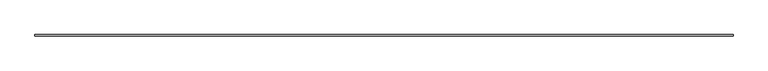
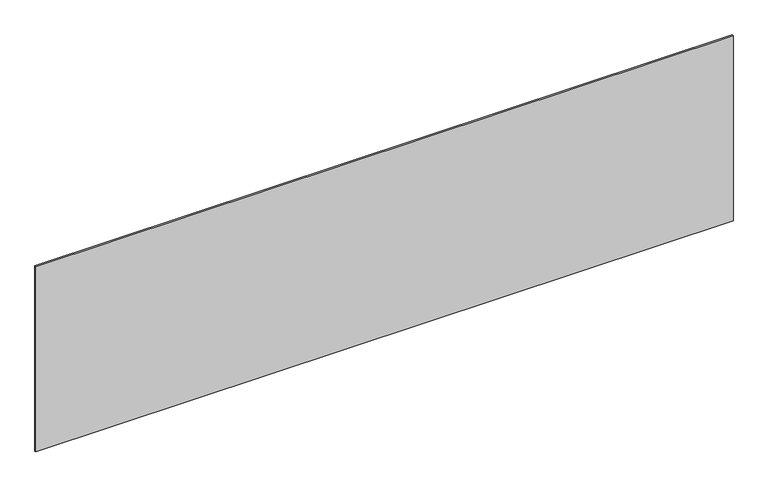
"""IFC4 building model written with IfcOpenShell, lengths in millimetres: plate geometry."""

from ifc_helpers import new_model, si_unit, origin, origin_with_axes, place, context, project, spatial, polyline, outline, extrude, source, transform, mapped, element, save


def plate_1e398689(model_context):
    return source(origin(), model_context, "Body", "SweptSolid", [
        extrude(outline(polyline([(2281.6666667, -5.0), (-2281.6666667, -5.0), (-2281.6666667, 5.0), (2281.6666667, 5.0), (2281.6666667, -5.0)])), origin_with_axes(), (0.0, 0.0, 1.0), 1281.207091),
    ])


if __name__ == "__main__":
    model = new_model("IFC4")
    model_context = context("Model", 3, world=origin())
    ifc_project = project(units=[si_unit("LENGTHUNIT", "METRE", prefix="MILLI")], contexts=[model_context])
    site = spatial("IfcSite", under=ifc_project)
    building = spatial("IfcBuilding", under=site)
    placement = place(None, origin())
    plate_shape = plate_1e398689(model_context)
    element("IfcPlate", 1, at=placement, inside=building, context=model_context, shape_type="MappedRepresentation", body=[
        mapped(plate_shape, transform((0.0, 0.0, 0.0), x_axis=(1.0, 0.0, 0.0), y_axis=(0.0, 1.0, 0.0), z_axis=(0.0, 0.0, 1.0))),
    ])
    save(model, "model.ifc")
